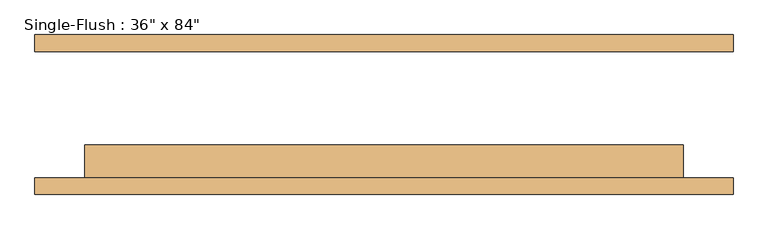
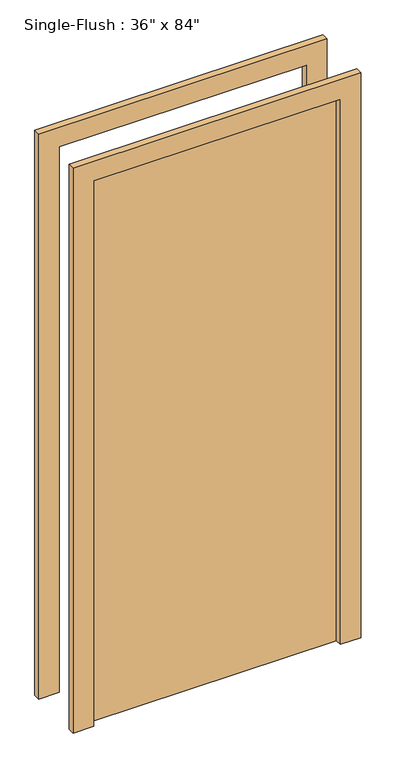
"""IFC4 building model written with IfcOpenShell, lengths in millimetres: door geometry."""

from ifc_helpers import new_model, si_unit, frame, origin, origin_with_axes, place, context, project, spatial, polyline, outline, extrude, source, transform, mapped, element, save


def door_3426d443(model_context):
    return source(origin(), model_context, "Body", "SweptSolid", [
        extrude(outline(polyline([(2209.8, -533.4), (0.0, -533.4), (0.0, -457.2), (2133.6, -457.2), (2133.6, 457.2), (0.0, 457.2), (0.0, 533.4), (2209.8, 533.4), (2209.8, -533.4)])), frame((0.0, -122.2375, 0.0), z_axis=(0.0, 1.0, 0.0), x_axis=(0.0, 0.0, 1.0)), (0.0, 0.0, 1.0), 25.4),
        extrude(outline(polyline([(2209.8, 533.4), (2209.8, -533.4), (0.0, -533.4), (0.0, -457.2), (2133.6, -457.2), (2133.6, 457.2), (0.0, 457.2), (0.0, 533.4), (2209.8, 533.4)])), frame((0.0, 96.8375, 0.0), z_axis=(0.0, 1.0, 0.0), x_axis=(0.0, 0.0, 1.0)), (0.0, 0.0, 1.0), 25.4),
        extrude(outline(polyline([(457.2, -46.0375), (457.2, -96.8375), (-457.2, -96.8375), (-457.2, -46.0375), (457.2, -46.0375)])), origin_with_axes(), (0.0, 0.0, 1.0), 2133.6),
    ])


if __name__ == "__main__":
    model = new_model("IFC4")
    model_context = context("Model", 3, world=origin())
    ifc_project = project(units=[si_unit("LENGTHUNIT", "METRE", prefix="MILLI")], contexts=[model_context])
    site = spatial("IfcSite", under=ifc_project)
    building = spatial("IfcBuilding", under=site)
    placement = place(None, origin())
    door_shape = door_3426d443(model_context)
    element("IfcDoor", 1, ObjectType="Single-Flush : 36\" x 84\"", at=placement, inside=building, context=model_context, shape_type="MappedRepresentation", body=[
        mapped(door_shape, transform((0.0, 0.0, 0.0), x_axis=(1.0, 0.0, 0.0), y_axis=(0.0, 1.0, 0.0), z_axis=(0.0, 0.0, 1.0))),
    ])
    save(model, "model.ifc")
